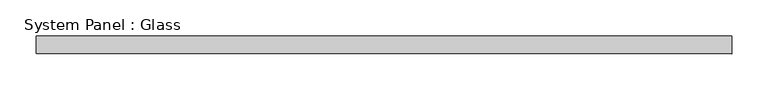
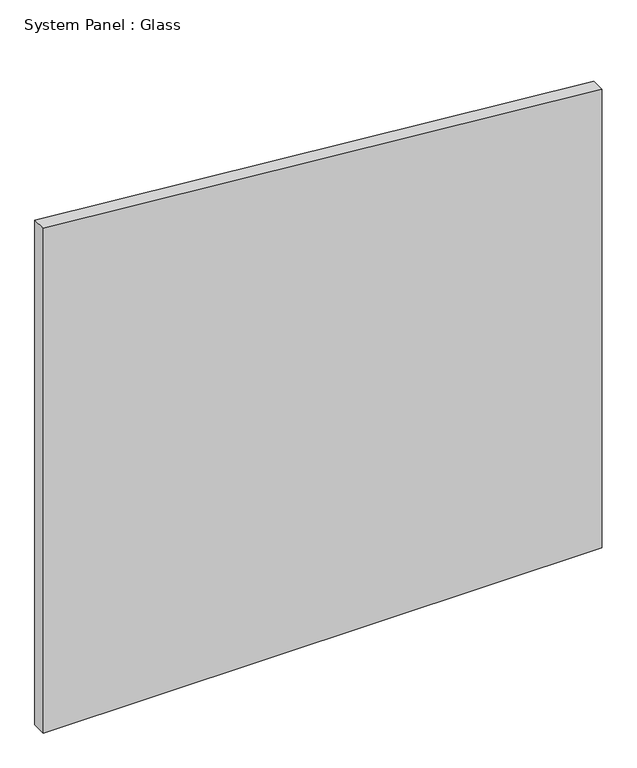
"""IFC4 building model written with IfcOpenShell, lengths in millimetres: plate geometry, System Panel : Glass."""

from ifc_helpers import new_model, si_unit, frame, origin, place, context, project, spatial, polyline, outline, extrude, source, transform, mapped, element, save


def system_panel_glass_91670254(model_context):
    return source(origin(), model_context, "Body", "SweptSolid", [
        extrude(outline(polyline([(0.0, -483.3333332), (0.0, 483.3333332), (837.7358776, 483.3333332), (922.3082523, -483.3333332), (0.0, -483.3333332)])), frame((0.0, 24.5, 0.0), z_axis=(0.0, 1.0, 0.0), x_axis=(0.0, 0.0, 1.0)), (0.0, 0.0, 1.0), 25.0),
    ])


if __name__ == "__main__":
    model = new_model("IFC4")
    model_context = context("Model", 3, world=origin())
    ifc_project = project(units=[si_unit("LENGTHUNIT", "METRE", prefix="MILLI")], contexts=[model_context])
    site = spatial("IfcSite", under=ifc_project)
    building = spatial("IfcBuilding", under=site)
    placement = place(None, origin())
    system_panel_glass_shape = system_panel_glass_91670254(model_context)
    element("IfcPlate", 1, ObjectType="System Panel : Glass", at=placement, inside=building, context=model_context, shape_type="MappedRepresentation", body=[
        mapped(system_panel_glass_shape, transform((0.0, 0.0, 0.0), x_axis=(1.0, 0.0, 0.0), y_axis=(0.0, 1.0, 0.0), z_axis=(0.0, 0.0, 1.0))),
    ])
    save(model, "model.ifc")
